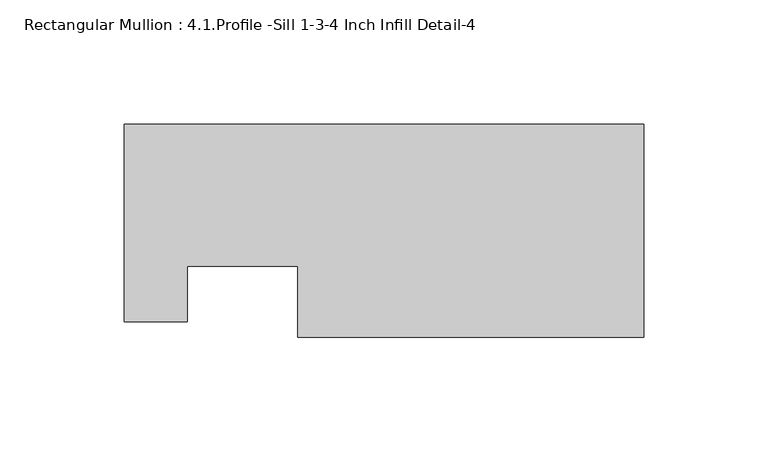
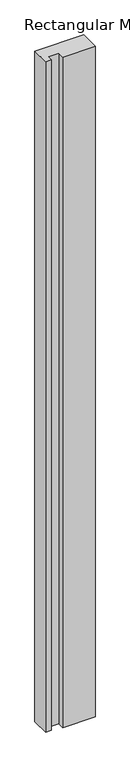
"""IFC4 building model written with IfcOpenShell, lengths in millimetres: member geometry, Rectangular Mullion : 4.1.Profile -Sill 1-3-4 Inch Infill Detail-4."""

from ifc_helpers import new_model, si_unit, frame, origin, place, context, project, spatial, polyline, outline, extrude, source, transform, mapped, element, save


def rectangular_mullion_4_1_profile_sill_1_3_4_inch_infill_aec0ce08(model_context):
    return source(origin(), model_context, "Body", "SweptSolid", [
        extrude(outline(polyline([(-209.042, 42.8625), (0.0, 42.8625), (0.0, -42.8625), (-139.2223894, -42.8625), (-139.2223894, -14.2876132), (-183.6340717, -14.2876132), (-183.6340717, -36.5125), (-209.042, -36.5125), (-209.042, 42.8625)])), frame((0.0, 0.0, -3048.0), z_axis=(0.0, 0.0, 1.0), x_axis=(1.0, 0.0, 0.0)), (0.0, 0.0, 1.0), 3048.0),
    ])


if __name__ == "__main__":
    model = new_model("IFC4")
    model_context = context("Model", 3, world=origin())
    ifc_project = project(units=[si_unit("LENGTHUNIT", "METRE", prefix="MILLI")], contexts=[model_context])
    site = spatial("IfcSite", under=ifc_project)
    building = spatial("IfcBuilding", under=site)
    placement = place(None, origin())
    rectangular_mullion_4_1_profile_sill_1_3_4_inch_infill_shape = rectangular_mullion_4_1_profile_sill_1_3_4_inch_infill_aec0ce08(model_context)
    element("IfcMember", 1, ObjectType="Rectangular Mullion : 4.1.Profile -Sill 1-3-4 Inch Infill Detail-4", at=placement, inside=building, context=model_context, shape_type="MappedRepresentation", body=[
        mapped(rectangular_mullion_4_1_profile_sill_1_3_4_inch_infill_shape, transform((0.0, 0.0, 0.0), x_axis=(1.0, 0.0, 0.0), y_axis=(0.0, 1.0, 0.0), z_axis=(0.0, 0.0, 1.0))),
    ])
    save(model, "model.ifc")
